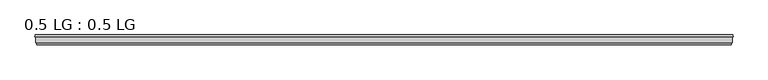
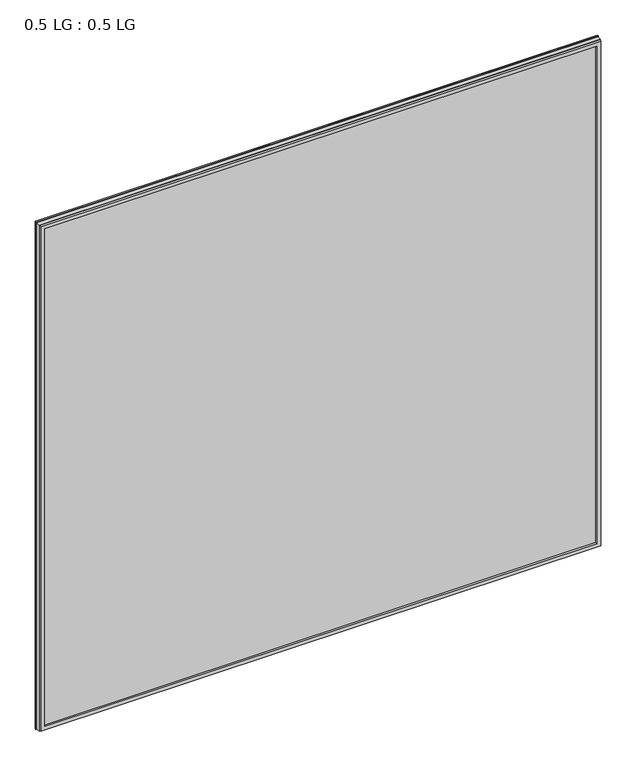
"""IFC4 building model written with IfcOpenShell, lengths in millimetres: plate geometry, 0.5 LG : 0.5 LG."""

from ifc_helpers import new_model, si_unit, origin, origin_with_axes, place, context, project, spatial, polyline, outline, extrude, faceted_brep, source, transform, mapped, element, save


def plate_0_5_lg_0_5_lg_349c7cf7(model_context):
    return source(origin(), model_context, "Body", "SolidModel", [
        faceted_brep([(-802.0754633, 33.6565875, 1527.5756633), (-800.8871801, 38.3301948, 1526.3873801), (-800.8871801, 38.3301948, -0.7871801), (-802.0754633, 33.6565875, -1.9754633), (-789.7623956, 38.3301948, 1515.2625956), (-788.5742356, 33.6565875, 1514.0744356), (-788.5742356, 33.6565875, 11.5257644), (-789.7623956, 38.3301948, 10.3376044), (800.8871801, 38.3301948, -0.7871801), (802.0754633, 33.6565875, -1.9754633), (788.5742356, 33.6565875, 11.5257644), (789.7623956, 38.3301948, 10.3376044), (800.8871801, 38.3301948, 1526.3873801), (802.0754633, 33.6565875, 1527.5756633), (788.5742356, 33.6565875, 1514.0744356), (789.7623956, 38.3301948, 1515.2625956)], [[[0, 1, 2, 3]], [[4, 5, 6, 7]], [[3, 2, 8, 9]], [[7, 6, 10, 11]], [[9, 8, 12, 13]], [[11, 10, 14, 15]], [[1, 12, 8, 2], [7, 11, 15, 4]], [[13, 12, 1, 0]], [[3, 9, 13, 0], [5, 14, 10, 6]], [[15, 14, 5, 4]]]),
        faceted_brep([(-785.9786419, 20.0421875, 1511.4788419), (-787.0441159, 15.8512075, 1512.5443159), (-787.0441159, 15.8512075, 13.0558841), (-785.9786419, 20.0421875, 14.1213581), (-798.1695018, 15.8512075, 1523.6697018), (-799.2347832, 20.0421875, 1524.7349832), (-799.2347832, 20.0421875, 0.8652168), (-798.1695018, 15.8512075, 1.9304982), (787.0441159, 15.8512075, 13.0558841), (785.9786419, 20.0421875, 14.1213581), (799.2347832, 20.0421875, 0.8652168), (798.1695018, 15.8512075, 1.9304982), (787.0441159, 15.8512075, 1512.5443159), (785.9786419, 20.0421875, 1511.4788419), (799.2347832, 20.0421875, 1524.7349832), (798.1695018, 15.8512075, 1523.6697018)], [[[0, 1, 2, 3]], [[4, 5, 6, 7]], [[3, 2, 8, 9]], [[7, 6, 10, 11]], [[9, 8, 12, 13]], [[11, 10, 14, 15]], [[13, 12, 1, 0]], [[5, 14, 10, 6], [3, 9, 13, 0]], [[15, 14, 5, 4]], [[7, 11, 15, 4], [1, 12, 8, 2]]]),
        extrude(outline(polyline([(800.1, 33.6565875), (800.1, 20.0421875), (-800.1, 20.0421875), (-800.1, 33.6565875), (800.1, 33.6565875)])), origin_with_axes(), (0.0, 0.0, 1.0), 1525.6002),
    ])


if __name__ == "__main__":
    model = new_model("IFC4")
    model_context = context("Model", 3, world=origin())
    ifc_project = project(units=[si_unit("LENGTHUNIT", "METRE", prefix="MILLI")], contexts=[model_context])
    site = spatial("IfcSite", under=ifc_project)
    building = spatial("IfcBuilding", under=site)
    placement = place(None, origin())
    plate_0_5_lg_0_5_lg_shape = plate_0_5_lg_0_5_lg_349c7cf7(model_context)
    element("IfcPlate", 1, ObjectType="0.5 LG : 0.5 LG", at=placement, inside=building, context=model_context, shape_type="MappedRepresentation", body=[
        mapped(plate_0_5_lg_0_5_lg_shape, transform((0.0, 0.0, 0.0), x_axis=(1.0, 0.0, 0.0), y_axis=(0.0, 1.0, 0.0), z_axis=(0.0, 0.0, 1.0))),
    ])
    save(model, "model.ifc")
